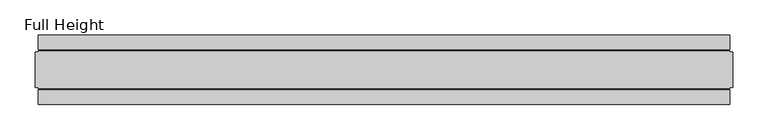
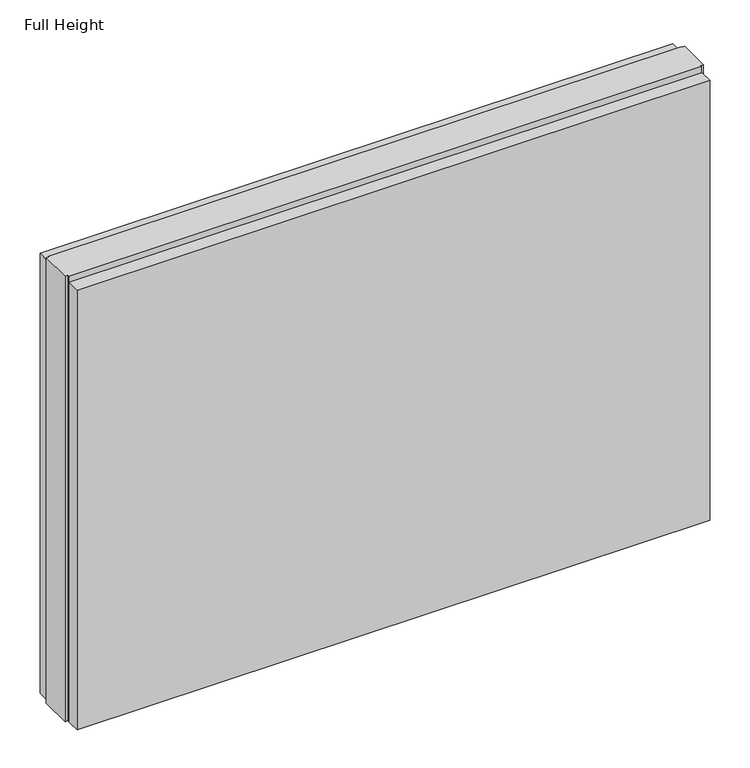
"""IFC4 building model written with IfcOpenShell, lengths in millimetres: plate geometry, Full Height."""

from ifc_helpers import new_model, si_unit, origin, origin_with_axes, place, context, project, spatial, polyline, outline, extrude, source, transform, mapped, element, save


def full_height_4dd12805(model_context):
    return source(origin(), model_context, "Body", "SweptSolid", [
        extrude(outline(polyline([(490.7279988, 28.956), (-490.7279988, 28.956), (-490.7279988, 49.53), (490.7279988, 49.53), (490.7279988, 28.956)])), origin_with_axes(), (0.0, 0.0, 1.0), 720.852),
        extrude(outline(polyline([(490.7279988, -28.956), (490.7279988, -49.53), (-490.7279988, -49.53), (-490.7279988, -28.956), (490.7279988, -28.956)])), origin_with_axes(), (0.0, 0.0, 1.0), 720.852),
        extrude(outline(polyline([(490.7279988, -25.146), (490.7279988, -26.67), (-490.7279988, -26.67), (-490.7279988, -25.146), (-495.2999988, -25.146), (-495.2999988, 25.146), (-490.7279988, 25.146), (-490.7279988, 26.67), (490.7279988, 26.67), (490.7279988, 25.146), (495.2999988, 25.146), (495.2999988, -25.146), (490.7279988, -25.146)])), origin_with_axes(), (0.0, 0.0, 1.0), 729.996),
    ])


if __name__ == "__main__":
    model = new_model("IFC4")
    model_context = context("Model", 3, world=origin())
    ifc_project = project(units=[si_unit("LENGTHUNIT", "METRE", prefix="MILLI")], contexts=[model_context])
    site = spatial("IfcSite", under=ifc_project)
    building = spatial("IfcBuilding", under=site)
    placement = place(None, origin())
    full_height_shape = full_height_4dd12805(model_context)
    element("IfcPlate", 1, ObjectType="Full Height", at=placement, inside=building, context=model_context, shape_type="MappedRepresentation", body=[
        mapped(full_height_shape, transform((0.0, 0.0, 0.0), x_axis=(1.0, 0.0, 0.0), y_axis=(0.0, 1.0, 0.0), z_axis=(0.0, 0.0, 1.0))),
    ])
    save(model, "model.ifc")
